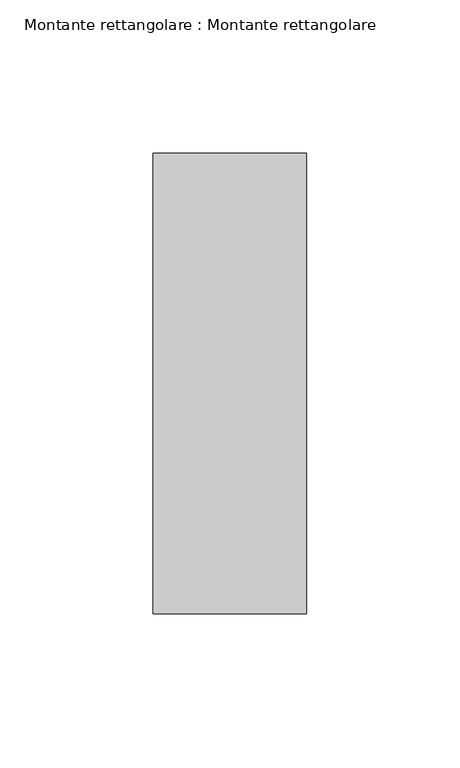
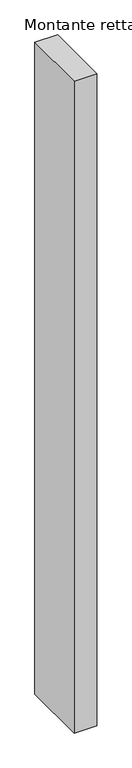
"""IFC4 building model written with IfcOpenShell, lengths in millimetres: member geometry, Montante rettangolare : Montante rettangolare."""

from ifc_helpers import new_model, si_unit, frame, origin, place, context, project, spatial, polyline, outline, extrude, source, transform, mapped, element, save


def montante_rettangolare_montante_rettangolare_f77dc544(model_context):
    return source(origin(), model_context, "Body", "SweptSolid", [
        extrude(outline(polyline([(0.0, 75.0), (0.0, -75.0), (-50.0, -75.0), (-50.0, 75.0), (0.0, 75.0)])), frame((0.0, 0.0, -1525.0), z_axis=(0.0, 0.0, 1.0), x_axis=(1.0, 0.0, 0.0)), (0.0, 0.0, 1.0), 1525.0),
    ])


if __name__ == "__main__":
    model = new_model("IFC4")
    model_context = context("Model", 3, world=origin())
    ifc_project = project(units=[si_unit("LENGTHUNIT", "METRE", prefix="MILLI")], contexts=[model_context])
    site = spatial("IfcSite", under=ifc_project)
    building = spatial("IfcBuilding", under=site)
    placement = place(None, origin())
    montante_rettangolare_montante_rettangolare_shape = montante_rettangolare_montante_rettangolare_f77dc544(model_context)
    element("IfcMember", 1, ObjectType="Montante rettangolare : Montante rettangolare", at=placement, inside=building, context=model_context, shape_type="MappedRepresentation", body=[
        mapped(montante_rettangolare_montante_rettangolare_shape, transform((0.0, 0.0, 0.0), x_axis=(1.0, 0.0, 0.0), y_axis=(0.0, 1.0, 0.0), z_axis=(0.0, 0.0, 1.0))),
    ])
    save(model, "model.ifc")
